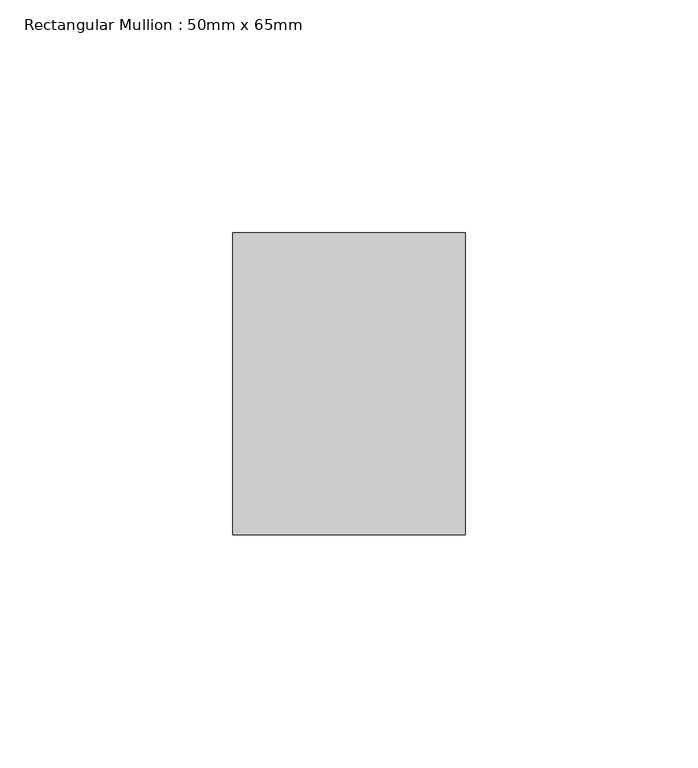
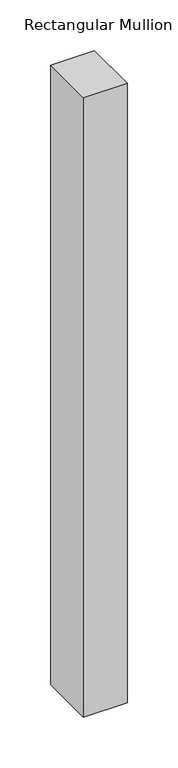
"""IFC4 building model written with IfcOpenShell, lengths in millimetres: member geometry, Rectangular Mullion : 50mm x 65mm."""

from ifc_helpers import new_model, si_unit, frame, origin, place, context, project, spatial, polyline, outline, extrude, source, transform, mapped, element, save


def rectangular_mullion_50mm_x_65mm_d4b0c569(model_context):
    return source(origin(), model_context, "Body", "SweptSolid", [
        extrude(outline(polyline([(25.0, 32.5), (25.0, -32.5), (-25.0, -32.5), (-25.0, 32.5), (25.0, 32.5)])), frame((0.0, 0.0, -748.3578779), z_axis=(0.0, 0.0, 1.0), x_axis=(1.0, 0.0, 0.0)), (0.0, 0.0, 1.0), 748.3578779),
    ])


if __name__ == "__main__":
    model = new_model("IFC4")
    model_context = context("Model", 3, world=origin())
    ifc_project = project(units=[si_unit("LENGTHUNIT", "METRE", prefix="MILLI")], contexts=[model_context])
    site = spatial("IfcSite", under=ifc_project)
    building = spatial("IfcBuilding", under=site)
    placement = place(None, origin())
    rectangular_mullion_50mm_x_65mm_shape = rectangular_mullion_50mm_x_65mm_d4b0c569(model_context)
    element("IfcMember", 1, ObjectType="Rectangular Mullion : 50mm x 65mm", at=placement, inside=building, context=model_context, shape_type="MappedRepresentation", body=[
        mapped(rectangular_mullion_50mm_x_65mm_shape, transform((0.0, 0.0, 0.0), x_axis=(1.0, 0.0, 0.0), y_axis=(0.0, 1.0, 0.0), z_axis=(0.0, 0.0, 1.0))),
    ])
    save(model, "model.ifc")
